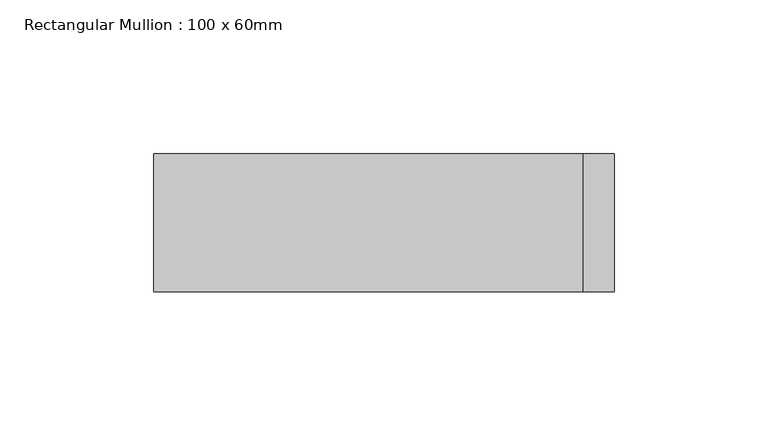
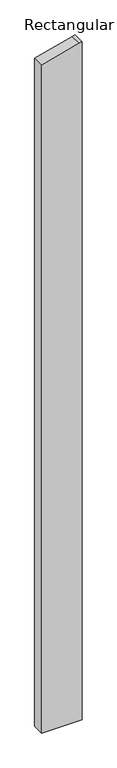
"""IFC4 building model written with IfcOpenShell, lengths in millimetres: member geometry, Rectangular Mullion : 100 x 60mm."""

import ifcopenshell
import ifcopenshell.guid

model = None  # the IFC model being written
_history = None  # IfcOwnerHistory: only IFC2X3 demands one
_inside = {}  # id of a spatial element -> (the spatial element, [elements in it])
_under = {}  # id of a project, library or spatial element -> (it, [spatial elements below it])
_declared = {}  # id of a project -> (the project, [libraries it declares])
_typed = {}  # id of a type object -> (the type object, [elements of that type])
_made_of = {}  # id of a material, layer set ... -> (it, [elements and type objects made of it])


def new_model(schema):
    """Start an empty IFC model of exactly this schema.

    Asked for "IFC4X3", IfcOpenShell would pick the latest addendum, in which some entities
    have other attributes; the version numbers below select the first issue.
    IFC2X3 requires an IfcOwnerHistory on every rooted entity: one is made here for all.
    """
    global model, _history
    if schema == "IFC4X3":
        model = ifcopenshell.file(schema_version=(4, 3, 0, 0))
    else:
        model = ifcopenshell.file(schema=schema)
    _inside.clear()
    _under.clear()
    _declared.clear()
    _typed.clear()
    _made_of.clear()
    _history = None
    if model.schema == "IFC2X3":
        org = make("IfcOrganization", Name="unknown")
        user = make(
            "IfcPersonAndOrganization",
            ThePerson=make("IfcPerson", FamilyName="unknown"),
            TheOrganization=org,
        )
        app = make(
            "IfcApplication",
            ApplicationDeveloper=org,
            Version="unknown",
            ApplicationFullName="unknown",
            ApplicationIdentifier="unknown",
        )
        _history = make(
            "IfcOwnerHistory",
            OwningUser=user,
            OwningApplication=app,
            ChangeAction="ADDED",
            CreationDate=0,
        )
    return model


def make(cls, **values):
    """One entity of the class cls with the attributes given. An attribute that is None is left unset."""
    return model.create_entity(
        cls, **{name: value for name, value in values.items() if value is not None}
    )


def rooted(cls, **values):
    """An entity with a GlobalId (a new one), such as an element, a storey or a relation."""
    return make(cls, GlobalId=ifcopenshell.guid.new(), OwnerHistory=_history, **values)


def si_unit(unit_type, name, prefix=None):
    """IfcSIUnit, for example si_unit("LENGTHUNIT", "METRE", prefix="MILLI")."""
    return make("IfcSIUnit", UnitType=unit_type, Prefix=prefix, Name=name)


def assignment(units):
    """IfcUnitAssignment: the units of a project."""
    return None if units is None else make("IfcUnitAssignment", Units=units)


def point(xyz):
    """IfcCartesianPoint."""
    return None if xyz is None else make("IfcCartesianPoint", Coordinates=xyz)


def direction(xyz):
    """IfcDirection."""
    return None if xyz is None else make("IfcDirection", DirectionRatios=xyz)


def frame(location, z_axis=None, x_axis=None):
    """IfcAxis2Placement3D, a coordinate frame: its origin and axes. An axis left out is left unset."""
    return make(
        "IfcAxis2Placement3D",
        Location=point(location),
        Axis=direction(z_axis),
        RefDirection=direction(x_axis),
    )


def origin():
    """The frame at (0, 0, 0) with its axes left unset."""
    return frame((0.0, 0.0, 0.0))


def place(relative_to, where):
    """IfcLocalPlacement: puts the frame where relative to a parent placement (None: the world)."""
    return make(
        "IfcLocalPlacement", PlacementRelTo=relative_to, RelativePlacement=where
    )


def context(
    kind, dimensions, precision=None, world=None, true_north=None, identifier=None
):
    """IfcGeometricRepresentationContext, for example the 3D "Model" context."""
    return make(
        "IfcGeometricRepresentationContext",
        ContextIdentifier=identifier,
        ContextType=kind,
        CoordinateSpaceDimension=dimensions,
        Precision=precision,
        WorldCoordinateSystem=world,
        TrueNorth=true_north,
    )


def project(units=None, contexts=None):
    """IfcProject with its units and contexts."""
    return rooted(
        "IfcProject",
        Name="project",
        RepresentationContexts=contexts,
        UnitsInContext=assignment(units),
    )


def spatial(cls, under=None, at=None, **own):
    """A site, building, storey or space (cls), placed at a placement, below another one or the project."""
    s = rooted(cls, ObjectPlacement=at, **own)
    if under is not None:
        _under.setdefault(under.id(), (under, []))[1].append(s)
    return s


def polyline(points):
    """IfcPolyline through the points."""
    return make("IfcPolyline", Points=[point(p) for p in points])


def outline(outer, holes=None, kind="AREA"):
    """IfcArbitraryClosedProfileDef: a profile drawn as a closed curve; with holes, ...WithVoids."""
    if holes is None:
        return make("IfcArbitraryClosedProfileDef", ProfileType=kind, OuterCurve=outer)
    return make(
        "IfcArbitraryProfileDefWithVoids",
        ProfileType=kind,
        OuterCurve=outer,
        InnerCurves=holes,
    )


def extrude(swept, where, along, depth):
    """IfcExtrudedAreaSolid: the profile swept, set in the frame where, extruded along a direction by depth."""
    return make(
        "IfcExtrudedAreaSolid",
        SweptArea=swept,
        Position=where,
        ExtrudedDirection=direction(along),
        Depth=depth,
    )


def shape(context_of_items, identifier, shape_type, items):
    """IfcShapeRepresentation: the items that make up one representation, for example the "Body"."""
    return make(
        "IfcShapeRepresentation",
        ContextOfItems=context_of_items,
        RepresentationIdentifier=identifier,
        RepresentationType=shape_type,
        Items=items,
    )


def source(mapping_origin, context_of_items, identifier, shape_type, items):
    """IfcRepresentationMap: a shape defined once, which mapped items show again and again."""
    return make(
        "IfcRepresentationMap",
        MappingOrigin=mapping_origin,
        MappedRepresentation=shape(context_of_items, identifier, shape_type, items),
    )


def transform(
    local_origin,
    x_axis=None,
    y_axis=None,
    z_axis=None,
    scale=None,
    scale2=None,
    scale3=None,
    uniform=True,
):
    """IfcCartesianTransformationOperator3D, or its non-uniform kind. x_axis, y_axis, z_axis: its Axis1, 2, 3."""
    if uniform:
        return make(
            "IfcCartesianTransformationOperator3D",
            Axis1=direction(x_axis),
            Axis2=direction(y_axis),
            LocalOrigin=point(local_origin),
            Scale=scale,
            Axis3=direction(z_axis),
        )
    return make(
        "IfcCartesianTransformationOperator3DnonUniform",
        Axis1=direction(x_axis),
        Axis2=direction(y_axis),
        LocalOrigin=point(local_origin),
        Scale=scale,
        Axis3=direction(z_axis),
        Scale2=scale2,
        Scale3=scale3,
    )


def mapped(mapping_source, mapping_target):
    """IfcMappedItem: shows the shape of a source again, moved by a transform."""
    return make(
        "IfcMappedItem", MappingSource=mapping_source, MappingTarget=mapping_target
    )


def made_of(thing, what):
    """Note that an element or type object is made of a material, layer set ...; save() writes the relation."""
    if what is not None:
        _made_of.setdefault(what.id(), (what, []))[1].append(thing)
    return thing


def element(
    cls,
    number,
    at=None,
    inside=None,
    cuts=None,
    type_object=None,
    material=None,
    context=None,
    identifier="Body",
    shape_type=None,
    held_by="IfcProductDefinitionShape",
    body=None,
    shapes=None,
    **own,
):
    """One element of the class cls, such as IfcWall. Its Tag is "e" and its number.

    at: its placement. inside: the storey or other place that contains it. cuts: it is an
    opening in that element (IfcRelVoidsElement). A single representation is given by context,
    identifier, shape_type and body (its items); several are given by shapes. held_by: the class
    of the entity that holds the representations. save() writes the other relations.
    """
    e = rooted(cls, Tag="e%d" % number, ObjectPlacement=at, **own)
    if body is not None:
        shapes = [shape(context, identifier, shape_type, body)]
    if shapes is not None:
        e.Representation = make(held_by, Representations=shapes)
    if inside is not None:
        _inside.setdefault(inside.id(), (inside, []))[1].append(e)
    if cuts is not None:
        rooted(
            "IfcRelVoidsElement", RelatingBuildingElement=cuts, RelatedOpeningElement=e
        )
    if type_object is not None:
        _typed.setdefault(type_object.id(), (type_object, []))[1].append(e)
    return made_of(e, material)


def aggregate(whole, parts):
    """IfcRelAggregates: a whole, such as a stair, and the parts it consists of."""
    return rooted("IfcRelAggregates", RelatingObject=whole, RelatedObjects=parts)


def save(model, path):
    """Write the relations noted so far, then the file.

    IfcRelAggregates (storeys below a building ...), IfcRelContainedInSpatialStructure (elements
    in a storey), IfcRelDefinesByType, IfcRelAssociatesMaterial and IfcRelDeclares: one each for
    every whole, place, type object, material and project.
    """
    for whole, parts in _under.values():
        aggregate(whole, parts)
    for where, things in _inside.values():
        rooted(
            "IfcRelContainedInSpatialStructure",
            RelatedElements=things,
            RelatingStructure=where,
        )
    for kind, things in _typed.values():
        rooted("IfcRelDefinesByType", RelatedObjects=things, RelatingType=kind)
    for what, things in _made_of.values():
        rooted("IfcRelAssociatesMaterial", RelatedObjects=things, RelatingMaterial=what)
    for by, libraries in _declared.values():
        rooted("IfcRelDeclares", RelatingContext=by, RelatedDefinitions=libraries)
    model.write(path)


def rectangular_mullion_100_x_60mm_71d6a9aa(model_context):
    return source(origin(), model_context, "Body", "SweptSolid", [
        extrude(outline(polyline([(-238.7228557, 75.0), (-241.4814566, 64.7047613), (-278.9152345, -75.0), (-2907.0950927, -75.0), (-2907.0950927, 75.0), (-238.7228557, 75.0)])), frame((0.0, -30.0, 0.0), z_axis=(0.0, 1.0, 0.0), x_axis=(0.0, 0.0, 1.0)), (0.0, 0.0, 1.0), 45.0),
    ])


if __name__ == "__main__":
    model = new_model("IFC4")
    model_context = context("Model", 3, world=origin())
    ifc_project = project(units=[si_unit("LENGTHUNIT", "METRE", prefix="MILLI")], contexts=[model_context])
    site = spatial("IfcSite", under=ifc_project)
    building = spatial("IfcBuilding", under=site)
    placement = place(None, origin())
    rectangular_mullion_100_x_60mm_shape = rectangular_mullion_100_x_60mm_71d6a9aa(model_context)
    element("IfcMember", 1, ObjectType="Rectangular Mullion : 100 x 60mm", at=placement, inside=building, context=model_context, shape_type="MappedRepresentation", body=[
        mapped(rectangular_mullion_100_x_60mm_shape, transform((0.0, 0.0, 0.0), x_axis=(1.0, 0.0, 0.0), y_axis=(0.0, 1.0, 0.0), z_axis=(0.0, 0.0, 1.0))),
    ])
    save(model, "model.ifc")
